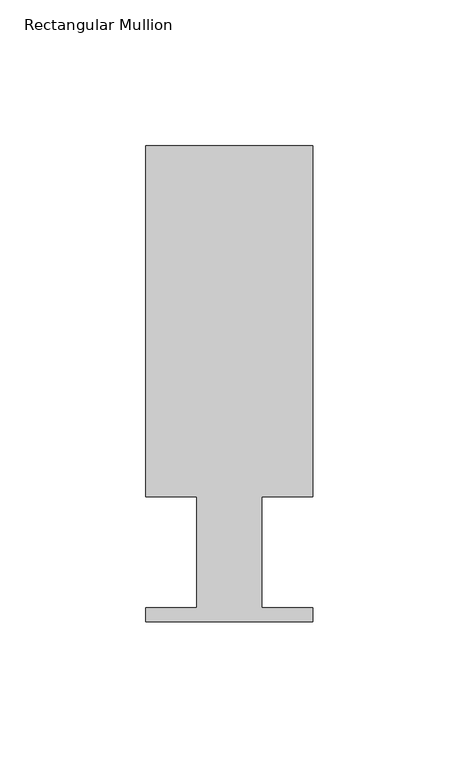
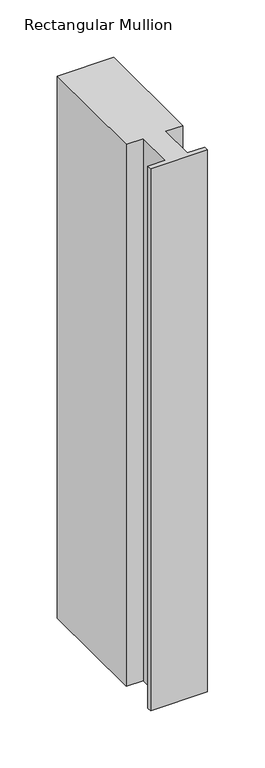
"""IFC4 building model written with IfcOpenShell, lengths in millimetres: member geometry, Rectangular Mullion."""

from ifc_helpers import new_model, si_unit, frame, origin, place, context, project, spatial, polyline, outline, extrude, source, transform, mapped, element, save


def rectangular_mullion_dc633787(model_context):
    return source(origin(), model_context, "Body", "SweptSolid", [
        extrude(outline(polyline([(0.0, 151.892), (0.0, 31.75), (-17.4752, 31.75), (-17.4752, -6.35), (0.0, -6.35), (0.0, -11.176), (-57.15, -11.176), (-57.15, -6.35), (-39.6875, -6.35), (-39.6875, 31.75), (-57.15, 31.75), (-57.15, 151.892), (0.0, 151.892)])), frame((0.0, 0.0, -577.85), z_axis=(0.0, 0.0, 1.0), x_axis=(1.0, 0.0, 0.0)), (0.0, 0.0, 1.0), 577.85),
    ])


if __name__ == "__main__":
    model = new_model("IFC4")
    model_context = context("Model", 3, world=origin())
    ifc_project = project(units=[si_unit("LENGTHUNIT", "METRE", prefix="MILLI")], contexts=[model_context])
    site = spatial("IfcSite", under=ifc_project)
    building = spatial("IfcBuilding", under=site)
    placement = place(None, origin())
    rectangular_mullion_shape = rectangular_mullion_dc633787(model_context)
    element("IfcMember", 1, ObjectType="Rectangular Mullion", at=placement, inside=building, context=model_context, shape_type="MappedRepresentation", body=[
        mapped(rectangular_mullion_shape, transform((0.0, 0.0, 0.0), x_axis=(1.0, 0.0, 0.0), y_axis=(0.0, 1.0, 0.0), z_axis=(0.0, 0.0, 1.0))),
    ])
    save(model, "model.ifc")
